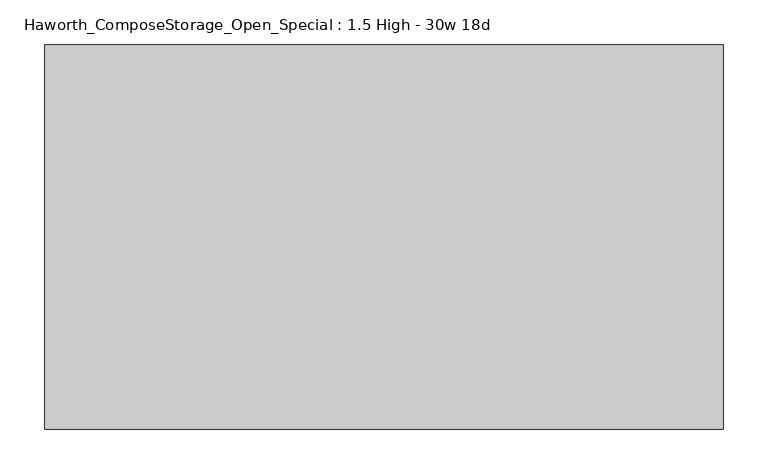
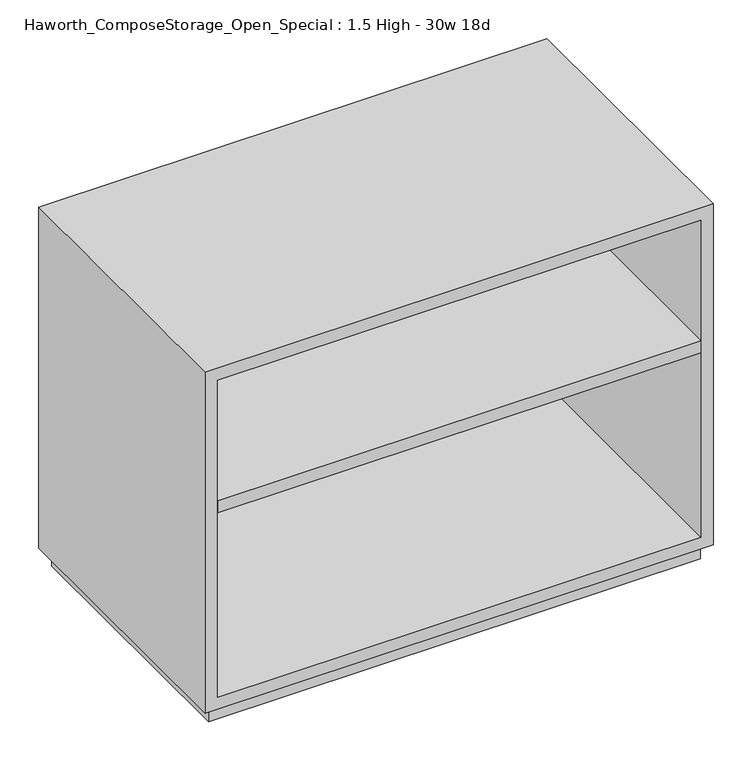
"""IFC4 building model written with IfcOpenShell, lengths in millimetres: furniture geometry, Haworth_ComposeStorage_Open_Special : 1.5 High - 30w 18d."""

from ifc_helpers import new_model, si_unit, frame, origin, origin_with_axes, place, context, project, spatial, polyline, outline, extrude, source, transform, mapped, element, save


def haworth_composestorage_open_special_1_5_high_30w_18d_9c29a3e3(model_context):
    return source(origin(), model_context, "Body", "SweptSolid", [
        extrude(outline(polyline([(361.9569453, 260.35), (361.9569453, -152.4), (-361.9291641, -152.4), (-361.9291641, 260.35), (361.9569453, 260.35)])), frame((0.0, 0.0, 336.55), z_axis=(0.0, 0.0, 1.0), x_axis=(1.0, 0.0, 0.0)), (0.0, 0.0, 1.0), 19.05),
        extrude(outline(polyline([(25.4, -380.9861094), (25.4, 381.0138906), (565.15, 381.0138906), (565.15, -380.9861094), (25.4, -380.9861094)]), holes=[polyline([(44.45, -361.9361094), (546.1, -361.9361094), (546.1, 361.9569453), (44.45, 361.9569453), (44.45, -361.9361094)])]), frame((0.0, -152.4, 0.0), z_axis=(0.0, 1.0, 0.0), x_axis=(0.0, 0.0, 1.0)), (0.0, 0.0, 1.0), 431.8),
        extrude(outline(polyline([(-361.9291641, 260.35), (-361.9291641, 279.4), (361.9569453, 279.4), (361.9569453, 260.35), (-361.9291641, 260.35)])), frame((0.0, 0.0, 44.45), z_axis=(0.0, 0.0, 1.0), x_axis=(1.0, 0.0, 0.0)), (0.0, 0.0, 1.0), 501.65),
        extrude(outline(polyline([(368.3138906, -139.7), (-368.2861094, -139.7), (-368.2861094, 266.7), (368.3138906, 266.7), (368.3138906, -139.7)])), origin_with_axes(), (0.0, 0.0, 1.0), 25.4),
    ])


if __name__ == "__main__":
    model = new_model("IFC4")
    model_context = context("Model", 3, world=origin())
    ifc_project = project(units=[si_unit("LENGTHUNIT", "METRE", prefix="MILLI")], contexts=[model_context])
    site = spatial("IfcSite", under=ifc_project)
    building = spatial("IfcBuilding", under=site)
    placement = place(None, origin())
    haworth_composestorage_open_special_1_5_high_30w_18d_shape = haworth_composestorage_open_special_1_5_high_30w_18d_9c29a3e3(model_context)
    element("IfcFurniture", 1, ObjectType="Haworth_ComposeStorage_Open_Special : 1.5 High - 30w 18d", at=placement, inside=building, context=model_context, shape_type="MappedRepresentation", body=[
        mapped(haworth_composestorage_open_special_1_5_high_30w_18d_shape, transform((0.0, 0.0, 0.0), x_axis=(1.0, 0.0, 0.0), y_axis=(0.0, 1.0, 0.0), z_axis=(0.0, 0.0, 1.0))),
    ])
    save(model, "model.ifc")
